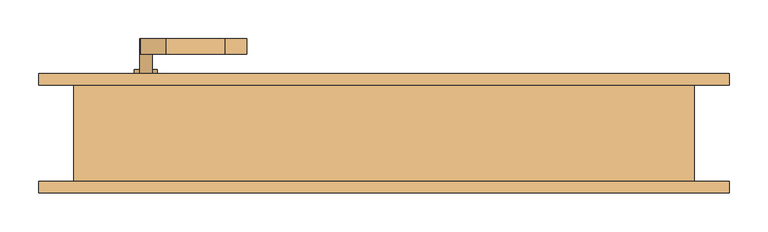
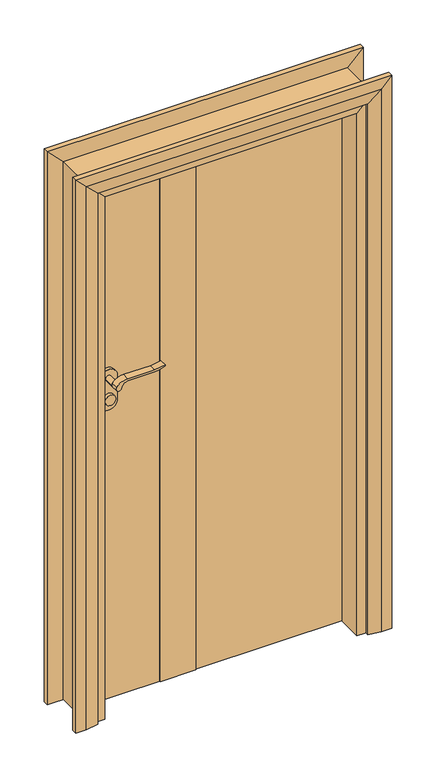
"""IFC4 building model written with IfcOpenShell, lengths in millimetres: door geometry."""

from ifc_helpers import new_model, si_unit, point, frame, frame_2d, origin, origin_with_axes, place, context, project, spatial, polyline, circle_curve, trimmed, segment, composite_curve, outline, extrude, faceted_brep, source, transform, mapped, element, save


def door_ef65a7d5(model_context):
    return source(origin(), model_context, "Body", "SolidModel", [
        extrude(outline(composite_curve([segment(trimmed(circle_curve(frame_2d((900.0, -307.0)), 15.0), [point((900.0, -292.0))], [point((900.0, -322.0))], False, "CARTESIAN"), True, "CONTINUOUS"), segment(trimmed(circle_curve(frame_2d((900.0, -307.0)), 15.0), [point((900.0, -322.0))], [point((900.0, -292.0))], False, "CARTESIAN"), True, "CONTINUOUS")], self_intersect=False)), frame((0.0, 72.0, 0.0), z_axis=(0.0, 1.0, 0.0), x_axis=(0.0, 0.0, 1.0)), (0.0, 0.0, 1.0), 10.0),
        extrude(outline(composite_curve([segment(trimmed(circle_curve(frame_2d((900.0, -307.0)), 15.0), [point((900.0, -292.0))], [point((900.0, -322.0))], False, "CARTESIAN"), True, "CONTINUOUS"), segment(trimmed(circle_curve(frame_2d((900.0, -307.0)), 15.0), [point((900.0, -322.0))], [point((900.0, -292.0))], False, "CARTESIAN"), True, "CONTINUOUS")], self_intersect=False)), frame((0.0, -8.0, 0.0), z_axis=(0.0, 1.0, 0.0), x_axis=(0.0, 0.0, 1.0)), (0.0, 0.0, 1.0), 10.0),
        extrude(outline(composite_curve([segment(trimmed(circle_curve(frame_2d((960.0, -307.0)), 8.0), [point((964.6523287, -313.5081363))], [point((960.0, -299.0))], False, "CARTESIAN"), True, "CONTINUOUS"), segment(trimmed(circle_curve(frame_2d((954.8738613, -281.6138099)), 18.1261387), [point((960.0, -299.0))], [point((973.0, -281.6138099))], True, "CARTESIAN"), True, "CONTINUOUS"), segment(polyline([(973.0, -281.6138099), (973.0, -205.3564091)]), True, "CONTINUOUS"), segment(trimmed(circle_curve(frame_2d((1032.2709207, -208.9396612)), 59.3791355), [point((973.0, -205.3564091))], [point((982.2135558, -177.0))], False, "CARTESIAN"), True, "CONTINUOUS"), segment(polyline([(982.2135558, -177.0), (985.0, -177.0)]), True, "CONTINUOUS"), segment(trimmed(circle_curve(frame_2d((1063.2850638, -205.4227909)), 83.2850902), [point((985.0, -177.0))], [point((980.0, -205.3564091))], True, "CARTESIAN"), True, "CONTINUOUS"), segment(polyline([(980.0, -205.3564091), (980.0, -281.6325667)]), True, "CONTINUOUS"), segment(trimmed(circle_curve(frame_2d((942.7555521, -283.3324871)), 37.2832219), [point((980.0, -281.6325667))], [point((964.6523287, -313.5081363))], False, "CARTESIAN"), True, "CONTINUOUS")], self_intersect=False)), frame((0.0, 102.0, 0.0), z_axis=(0.0, 1.0, 0.0), x_axis=(0.0, 0.0, 1.0)), (0.0, 0.0, 1.0), 20.0),
        extrude(outline(composite_curve([segment(trimmed(circle_curve(frame_2d((954.8738682, -281.6138122)), 18.1261318), [point((959.9999903, -299.0))], [point((973.0, -281.6138122))], True, "CARTESIAN"), True, "CONTINUOUS"), segment(polyline([(973.0, -281.6138122), (973.0, -205.3564091)]), True, "CONTINUOUS"), segment(trimmed(circle_curve(frame_2d((1032.2709207, -208.9396612)), 59.3791355), [point((973.0, -205.3564091))], [point((982.2135558, -177.0))], False, "CARTESIAN"), True, "CONTINUOUS"), segment(polyline([(982.2135558, -177.0), (985.0, -177.0)]), True, "CONTINUOUS"), segment(trimmed(circle_curve(frame_2d((1063.2850638, -205.4227909)), 83.2850902), [point((985.0, -177.0))], [point((980.0, -205.3564091))], True, "CARTESIAN"), True, "CONTINUOUS"), segment(polyline([(980.0, -205.3564091), (980.0, -281.6325667)]), True, "CONTINUOUS"), segment(trimmed(circle_curve(frame_2d((942.7555521, -283.3324871)), 37.2832219), [point((980.0, -281.6325667))], [point((964.6523287, -313.5081363))], False, "CARTESIAN"), True, "CONTINUOUS"), segment(trimmed(circle_curve(frame_2d((960.0, -307.0)), 8.0), [point((964.6523287, -313.5081363))], [point((959.9999903, -299.0))], False, "CARTESIAN"), True, "CONTINUOUS")], self_intersect=False)), frame((0.0, -48.0, 0.0), z_axis=(0.0, 1.0, 0.0), x_axis=(0.0, 0.0, 1.0)), (0.0, 0.0, 1.0), 20.0),
        extrude(outline(composite_curve([segment(trimmed(circle_curve(frame_2d((960.0, -307.0)), 8.0), [point((960.0, -299.0))], [point((960.0, -315.0))], False, "CARTESIAN"), True, "CONTINUOUS"), segment(trimmed(circle_curve(frame_2d((960.0, -307.0)), 8.0), [point((960.0, -315.0))], [point((960.0, -299.0))], False, "CARTESIAN"), True, "CONTINUOUS")], self_intersect=False)), frame((0.0, 72.0, 0.0), z_axis=(0.0, 1.0, 0.0), x_axis=(0.0, 0.0, 1.0)), (0.0, 0.0, 1.0), 30.0),
        extrude(outline(composite_curve([segment(trimmed(circle_curve(frame_2d((960.0, -307.0)), 8.0), [point((960.0, -299.0))], [point((960.0, -315.0))], False, "CARTESIAN"), True, "CONTINUOUS"), segment(trimmed(circle_curve(frame_2d((960.0, -307.0)), 8.0), [point((960.0, -315.0))], [point((960.0, -299.0))], False, "CARTESIAN"), True, "CONTINUOUS")], self_intersect=False)), frame((0.0, -28.0, 0.0), z_axis=(0.0, 1.0, 0.0), x_axis=(0.0, 0.0, 1.0)), (0.0, 0.0, 1.0), 30.0),
        extrude(outline(composite_curve([segment(trimmed(circle_curve(frame_2d((890.0, -307.0)), 25.0), [point((890.0, -332.0))], [point((890.0, -282.0))], False, "CARTESIAN"), True, "CONTINUOUS"), segment(polyline([(890.0, -282.0), (960.0, -282.0)]), True, "CONTINUOUS"), segment(trimmed(circle_curve(frame_2d((960.0, -307.0)), 25.0), [point((960.0, -282.0))], [point((960.0, -332.0))], False, "CARTESIAN"), True, "CONTINUOUS"), segment(polyline([(960.0, -332.0), (890.0, -332.0)]), True, "CONTINUOUS")], self_intersect=False)), frame((0.0, 62.0, 0.0), z_axis=(0.0, 1.0, 0.0), x_axis=(0.0, 0.0, 1.0)), (0.0, 0.0, 1.0), 10.0),
        extrude(outline(composite_curve([segment(trimmed(circle_curve(frame_2d((890.0, -307.0)), 25.0), [point((890.0, -332.0))], [point((890.0, -282.0))], False, "CARTESIAN"), True, "CONTINUOUS"), segment(polyline([(890.0, -282.0), (960.0, -282.0)]), True, "CONTINUOUS"), segment(trimmed(circle_curve(frame_2d((960.0, -307.0)), 25.0), [point((960.0, -282.0))], [point((960.0, -332.0))], False, "CARTESIAN"), True, "CONTINUOUS"), segment(polyline([(960.0, -332.0), (890.0, -332.0)]), True, "CONTINUOUS")], self_intersect=False)), frame((0.0, 2.0, 0.0), z_axis=(0.0, 1.0, 0.0), x_axis=(0.0, 0.0, 1.0)), (0.0, 0.0, 1.0), 10.0),
        extrude(outline(polyline([(-157.0, 65.0), (-57.0, 65.0), (-57.0, 9.0), (-157.0, 9.0), (-157.0, 65.0)])), origin_with_axes(), (0.0, 0.0, 1.0), 1567.0),
        faceted_brep([(-370.0, 62.0, 0.0), (-370.0, 9.0, 0.0), (-355.0, 9.0, 0.0), (-355.0, -62.0, 0.0), (-400.0, -62.0, 0.0), (-400.0, 62.0, 0.0), (-370.0, 62.0, 1570.0), (-370.0, 9.0, 1570.0), (-355.0, 9.0, 1555.0), (-355.0, -62.0, 1555.0), (-400.0, -62.0, 1600.0), (-400.0, 62.0, 1600.0), (370.0, 62.0, 1570.0), (370.0, 9.0, 1570.0), (355.0, 9.0, 1555.0), (355.0, -62.0, 1555.0), (400.0, -62.0, 1600.0), (400.0, 62.0, 1600.0), (370.0, 62.0, 0.0), (400.0, 62.0, 0.0), (400.0, -62.0, 0.0), (355.0, -62.0, 0.0), (355.0, 9.0, 0.0), (370.0, 9.0, 0.0)], [[[0, 1, 2, 3, 4, 5]], [[1, 0, 6, 7]], [[2, 1, 7, 8]], [[3, 2, 8, 9]], [[4, 3, 9, 10]], [[5, 4, 10, 11]], [[0, 5, 11, 6]], [[7, 6, 12, 13]], [[8, 7, 13, 14]], [[9, 8, 14, 15]], [[10, 9, 15, 16]], [[11, 10, 16, 17]], [[6, 11, 17, 12]], [[18, 19, 20, 21, 22, 23]], [[13, 12, 18, 23]], [[14, 13, 23, 22]], [[15, 14, 22, 21]], [[16, 15, 21, 20]], [[17, 16, 20, 19]], [[12, 17, 19, 18]]]),
        extrude(outline(polyline([(367.0, 12.0), (-57.0, 12.0), (-57.0, 62.0), (367.0, 62.0), (367.0, 12.0)])), origin_with_axes(), (0.0, 0.0, 1.0), 1567.0),
        extrude(outline(polyline([(-157.0, 12.0), (-367.0, 12.0), (-367.0, 62.0), (-157.0, 62.0), (-157.0, 12.0)])), origin_with_axes(), (0.0, 0.0, 1.0), 1567.0),
        faceted_brep([(-445.0, 62.0, 0.0), (-445.0, 77.0, 0.0), (-415.0, 77.0, 0.0), (-380.0, 72.0, 0.0), (-380.0, 62.0, 0.0), (-445.0, 62.0, 1645.0), (-445.0, 77.0, 1645.0), (-415.0, 77.0, 1615.0), (-380.0, 72.0, 1580.0), (-380.0, 62.0, 1580.0), (445.0, 62.0, 1645.0), (445.0, 77.0, 1645.0), (415.0, 77.0, 1615.0), (380.0, 72.0, 1580.0), (380.0, 62.0, 1580.0), (445.0, 62.0, 0.0), (380.0, 62.0, 0.0), (380.0, 72.0, 0.0), (415.0, 77.0, 0.0), (445.0, 77.0, 0.0)], [[[0, 1, 2, 3, 4]], [[1, 0, 5, 6]], [[2, 1, 6, 7]], [[3, 2, 7, 8]], [[4, 3, 8, 9]], [[0, 4, 9, 5]], [[6, 5, 10, 11]], [[7, 6, 11, 12]], [[8, 7, 12, 13]], [[9, 8, 13, 14]], [[5, 9, 14, 10]], [[15, 16, 17, 18, 19]], [[11, 10, 15, 19]], [[12, 11, 19, 18]], [[13, 12, 18, 17]], [[14, 13, 17, 16]], [[10, 14, 16, 15]]]),
        faceted_brep([(-380.0, -72.0, 0.0), (-415.0, -77.0, 0.0), (-445.0, -77.0, 0.0), (-445.0, -62.0, 0.0), (-380.0, -62.0, 0.0), (-380.0, -72.0, 1580.0), (-415.0, -77.0, 1615.0), (-445.0, -77.0, 1645.0), (-445.0, -62.0, 1645.0), (-380.0, -62.0, 1580.0), (380.0, -72.0, 1580.0), (415.0, -77.0, 1615.0), (445.0, -77.0, 1645.0), (445.0, -62.0, 1645.0), (380.0, -62.0, 1580.0), (380.0, -72.0, 0.0), (380.0, -62.0, 0.0), (445.0, -62.0, 0.0), (445.0, -77.0, 0.0), (415.0, -77.0, 0.0)], [[[0, 1, 2, 3, 4]], [[1, 0, 5, 6]], [[2, 1, 6, 7]], [[3, 2, 7, 8]], [[4, 3, 8, 9]], [[0, 4, 9, 5]], [[6, 5, 10, 11]], [[7, 6, 11, 12]], [[8, 7, 12, 13]], [[9, 8, 13, 14]], [[5, 9, 14, 10]], [[15, 16, 17, 18, 19]], [[11, 10, 15, 19]], [[12, 11, 19, 18]], [[13, 12, 18, 17]], [[14, 13, 17, 16]], [[10, 14, 16, 15]]]),
    ])


if __name__ == "__main__":
    model = new_model("IFC4")
    model_context = context("Model", 3, world=origin())
    ifc_project = project(units=[si_unit("LENGTHUNIT", "METRE", prefix="MILLI")], contexts=[model_context])
    site = spatial("IfcSite", under=ifc_project)
    building = spatial("IfcBuilding", under=site)
    placement = place(None, origin())
    door_shape = door_ef65a7d5(model_context)
    element("IfcDoor", 1, at=placement, inside=building, context=model_context, shape_type="MappedRepresentation", body=[
        mapped(door_shape, transform((0.0, 0.0, 0.0), x_axis=(1.0, 0.0, 0.0), y_axis=(0.0, 1.0, 0.0), z_axis=(0.0, 0.0, 1.0))),
    ])
    save(model, "model.ifc")
